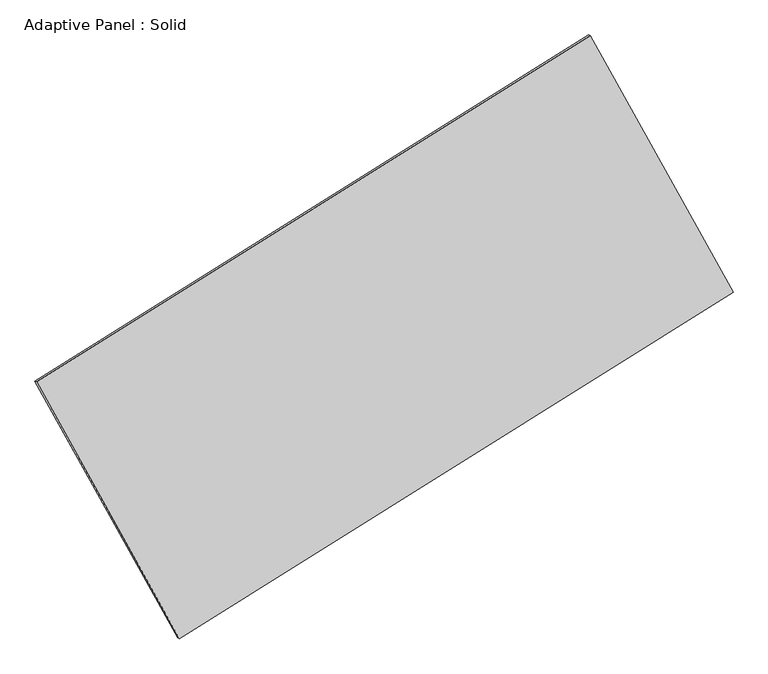
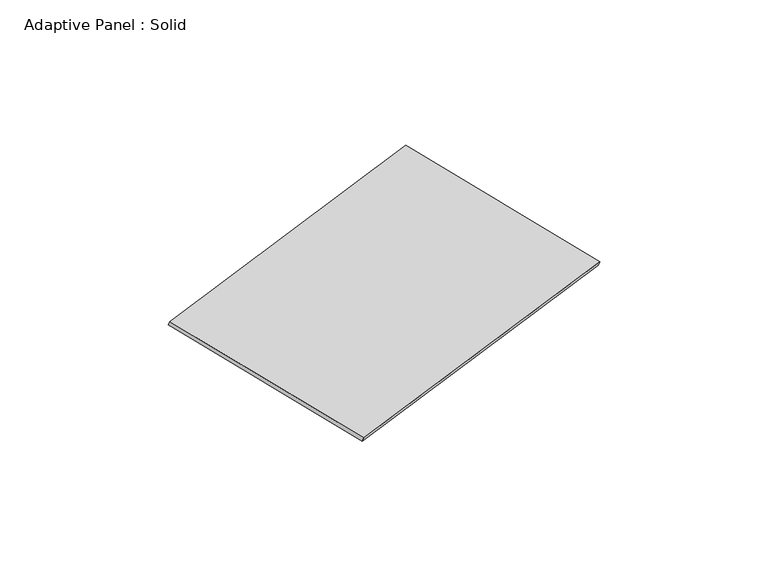
"""IFC4 building model written with IfcOpenShell, lengths in millimetres: plate geometry, Adaptive Panel : Solid."""

from ifc_helpers import new_model, si_unit, frame, origin, place, context, project, spatial, polyline, outline, extrude, source, transform, mapped, element, save


def adaptive_panel_solid_d12df7a1(model_context):
    return source(origin(), model_context, "Body", "SweptSolid", [
        extrude(outline(polyline([(-1346.1755023, 2942.398539), (1345.3378939, 2942.398539), (1346.1754477, -2942.0154444), (-1345.3378393, -2942.7816337), (-1346.1755023, 2942.398539)])), frame((-650.8226445, -100.0621432, 871.2806301), z_axis=(0.29332711661117594, -0.1276018692868712, 0.9474581603506668), x_axis=(0.4692872640945668, -0.8442132465875184, -0.2589854398316595)), (0.0, 0.0, 1.0), 50.0),
    ])


if __name__ == "__main__":
    model = new_model("IFC4")
    model_context = context("Model", 3, world=origin())
    ifc_project = project(units=[si_unit("LENGTHUNIT", "METRE", prefix="MILLI")], contexts=[model_context])
    site = spatial("IfcSite", under=ifc_project)
    building = spatial("IfcBuilding", under=site)
    placement = place(None, origin())
    adaptive_panel_solid_shape = adaptive_panel_solid_d12df7a1(model_context)
    element("IfcPlate", 1, ObjectType="Adaptive Panel : Solid", at=placement, inside=building, context=model_context, shape_type="MappedRepresentation", body=[
        mapped(adaptive_panel_solid_shape, transform((0.0, 0.0, 0.0), x_axis=(1.0, 0.0, 0.0), y_axis=(0.0, 1.0, 0.0), z_axis=(0.0, 0.0, 1.0))),
    ])
    save(model, "model.ifc")
